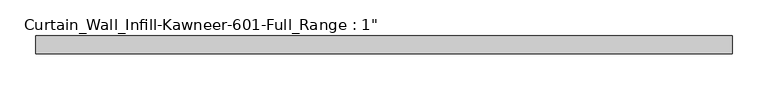
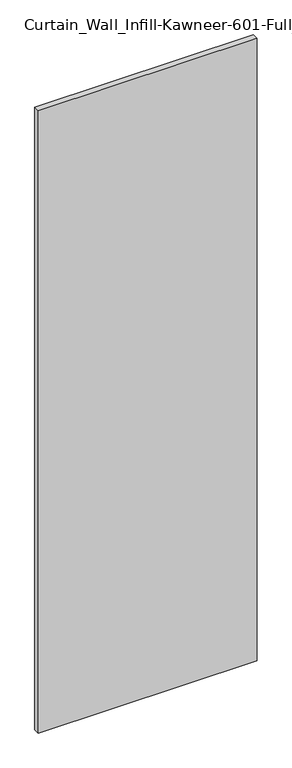
"""IFC4 building model written with IfcOpenShell, lengths in millimetres: plate geometry."""

from ifc_helpers import new_model, si_unit, origin, origin_with_axes, place, context, project, spatial, polyline, outline, extrude, source, transform, mapped, element, save


def plate_efcec395(model_context):
    return source(origin(), model_context, "Body", "SweptSolid", [
        extrude(outline(polyline([(-487.3625, -12.7), (-487.3625, 12.7), (487.3625, 12.7), (487.3625, -12.7), (-487.3625, -12.7)])), origin_with_axes(), (0.0, 0.0, 1.0), 2927.35),
    ])


if __name__ == "__main__":
    model = new_model("IFC4")
    model_context = context("Model", 3, world=origin())
    ifc_project = project(units=[si_unit("LENGTHUNIT", "METRE", prefix="MILLI")], contexts=[model_context])
    site = spatial("IfcSite", under=ifc_project)
    building = spatial("IfcBuilding", under=site)
    placement = place(None, origin())
    plate_shape = plate_efcec395(model_context)
    element("IfcPlate", 1, ObjectType="Curtain_Wall_Infill-Kawneer-601-Full_Range : 1\"", at=placement, inside=building, context=model_context, shape_type="MappedRepresentation", body=[
        mapped(plate_shape, transform((0.0, 0.0, 0.0), x_axis=(1.0, 0.0, 0.0), y_axis=(0.0, 1.0, 0.0), z_axis=(0.0, 0.0, 1.0))),
    ])
    save(model, "model.ifc")
